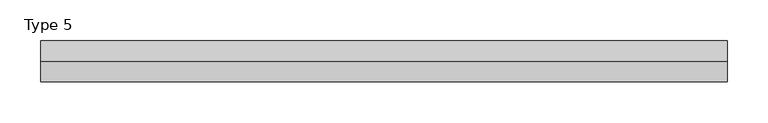
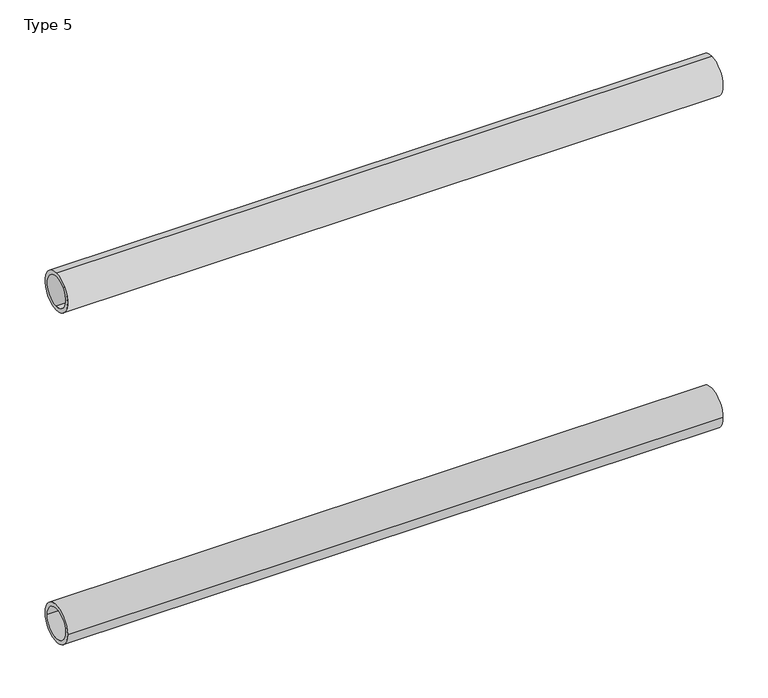
"""IFC4 building model written with IfcOpenShell, lengths in millimetres: proxy geometry, Type 5."""

from ifc_helpers import new_model, si_unit, point, frame, frame_2d, origin, place, context, project, spatial, circle_curve, trimmed, segment, composite_curve, outline, extrude, source, transform, mapped, element, save


def type_5_753660c1(model_context):
    return source(origin(), model_context, "Body", "SweptSolid", [
        extrude(outline(composite_curve([segment(trimmed(circle_curve(frame_2d((0.0, 575.0)), 25.0), [point((25.0, 575.0))], [point((-25.0, 575.0))], False, "CARTESIAN"), True, "CONTINUOUS"), segment(trimmed(circle_curve(frame_2d((0.0, 575.0)), 25.0), [point((-25.0, 575.0))], [point((25.0, 575.0))], False, "CARTESIAN"), True, "CONTINUOUS")], self_intersect=False), holes=[composite_curve([segment(trimmed(circle_curve(frame_2d((0.0, 575.0)), 20.0), [point((20.0, 575.0))], [point((-20.0, 575.0))], True, "CARTESIAN"), True, "CONTINUOUS"), segment(trimmed(circle_curve(frame_2d((0.0, 575.0)), 20.0), [point((-20.0, 575.0))], [point((20.0, 575.0))], True, "CARTESIAN"), True, "CONTINUOUS")], self_intersect=False)]), frame((80.0, 0.0, 0.0), z_axis=(1.0, 0.0, 0.0), x_axis=(0.0, 1.0, 0.0)), (0.0, 0.0, 1.0), 840.0),
        extrude(outline(composite_curve([segment(trimmed(circle_curve(frame_2d((0.0, 1025.0)), 25.0), [point((0.0, 1050.0))], [point((0.0, 1000.0))], False, "CARTESIAN"), True, "CONTINUOUS"), segment(trimmed(circle_curve(frame_2d((0.0, 1025.0)), 25.0), [point((0.0, 1000.0))], [point((0.0, 1050.0))], False, "CARTESIAN"), True, "CONTINUOUS")], self_intersect=False), holes=[composite_curve([segment(trimmed(circle_curve(frame_2d((0.0, 1025.0)), 20.0), [point((0.0, 1045.0))], [point((0.0, 1005.0))], True, "CARTESIAN"), True, "CONTINUOUS"), segment(trimmed(circle_curve(frame_2d((0.0, 1025.0)), 20.0), [point((0.0, 1005.0))], [point((0.0, 1045.0))], True, "CARTESIAN"), True, "CONTINUOUS")], self_intersect=False)]), frame((80.0, 0.0, 0.0), z_axis=(1.0, 0.0, 0.0), x_axis=(0.0, 1.0, 0.0)), (0.0, 0.0, 1.0), 840.0),
    ])


if __name__ == "__main__":
    model = new_model("IFC4")
    model_context = context("Model", 3, world=origin())
    ifc_project = project(units=[si_unit("LENGTHUNIT", "METRE", prefix="MILLI")], contexts=[model_context])
    site = spatial("IfcSite", under=ifc_project)
    building = spatial("IfcBuilding", under=site)
    placement = place(None, origin())
    type_5_shape = type_5_753660c1(model_context)
    element("IfcBuildingElementProxy", 1, Name="Type 5", ObjectType="Type 5", at=placement, inside=building, context=model_context, shape_type="MappedRepresentation", body=[
        mapped(type_5_shape, transform((0.0, 0.0, 0.0), x_axis=(1.0, 0.0, 0.0), y_axis=(0.0, 1.0, 0.0), z_axis=(0.0, 0.0, 1.0))),
    ])
    save(model, "model.ifc")
